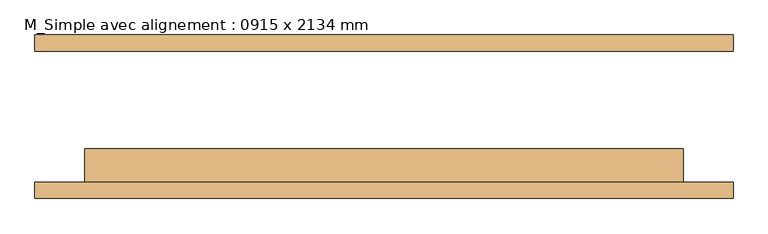
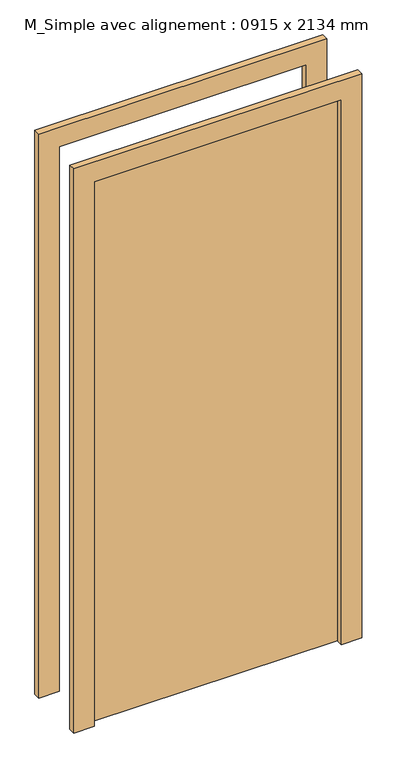
"""IFC4 building model written with IfcOpenShell, lengths in millimetres: door geometry, M_Simple avec alignement : 0915 x 2134 mm."""

import ifcopenshell
import ifcopenshell.guid

model = None  # the IFC model being written
_history = None  # IfcOwnerHistory: only IFC2X3 demands one
_inside = {}  # id of a spatial element -> (the spatial element, [elements in it])
_under = {}  # id of a project, library or spatial element -> (it, [spatial elements below it])
_declared = {}  # id of a project -> (the project, [libraries it declares])
_typed = {}  # id of a type object -> (the type object, [elements of that type])
_made_of = {}  # id of a material, layer set ... -> (it, [elements and type objects made of it])


def new_model(schema):
    """Start an empty IFC model of exactly this schema.

    Asked for "IFC4X3", IfcOpenShell would pick the latest addendum, in which some entities
    have other attributes; the version numbers below select the first issue.
    IFC2X3 requires an IfcOwnerHistory on every rooted entity: one is made here for all.
    """
    global model, _history
    if schema == "IFC4X3":
        model = ifcopenshell.file(schema_version=(4, 3, 0, 0))
    else:
        model = ifcopenshell.file(schema=schema)
    _inside.clear()
    _under.clear()
    _declared.clear()
    _typed.clear()
    _made_of.clear()
    _history = None
    if model.schema == "IFC2X3":
        org = make("IfcOrganization", Name="unknown")
        user = make(
            "IfcPersonAndOrganization",
            ThePerson=make("IfcPerson", FamilyName="unknown"),
            TheOrganization=org,
        )
        app = make(
            "IfcApplication",
            ApplicationDeveloper=org,
            Version="unknown",
            ApplicationFullName="unknown",
            ApplicationIdentifier="unknown",
        )
        _history = make(
            "IfcOwnerHistory",
            OwningUser=user,
            OwningApplication=app,
            ChangeAction="ADDED",
            CreationDate=0,
        )
    return model


def make(cls, **values):
    """One entity of the class cls with the attributes given. An attribute that is None is left unset."""
    return model.create_entity(
        cls, **{name: value for name, value in values.items() if value is not None}
    )


def rooted(cls, **values):
    """An entity with a GlobalId (a new one), such as an element, a storey or a relation."""
    return make(cls, GlobalId=ifcopenshell.guid.new(), OwnerHistory=_history, **values)


def si_unit(unit_type, name, prefix=None):
    """IfcSIUnit, for example si_unit("LENGTHUNIT", "METRE", prefix="MILLI")."""
    return make("IfcSIUnit", UnitType=unit_type, Prefix=prefix, Name=name)


def assignment(units):
    """IfcUnitAssignment: the units of a project."""
    return None if units is None else make("IfcUnitAssignment", Units=units)


def point(xyz):
    """IfcCartesianPoint."""
    return None if xyz is None else make("IfcCartesianPoint", Coordinates=xyz)


def direction(xyz):
    """IfcDirection."""
    return None if xyz is None else make("IfcDirection", DirectionRatios=xyz)


def frame(location, z_axis=None, x_axis=None):
    """IfcAxis2Placement3D, a coordinate frame: its origin and axes. An axis left out is left unset."""
    return make(
        "IfcAxis2Placement3D",
        Location=point(location),
        Axis=direction(z_axis),
        RefDirection=direction(x_axis),
    )


def origin():
    """The frame at (0, 0, 0) with its axes left unset."""
    return frame((0.0, 0.0, 0.0))


def origin_with_axes():
    """The frame at (0, 0, 0) with the z axis (0, 0, 1) and the x axis (1, 0, 0) written out."""
    return frame((0.0, 0.0, 0.0), z_axis=(0.0, 0.0, 1.0), x_axis=(1.0, 0.0, 0.0))


def place(relative_to, where):
    """IfcLocalPlacement: puts the frame where relative to a parent placement (None: the world)."""
    return make(
        "IfcLocalPlacement", PlacementRelTo=relative_to, RelativePlacement=where
    )


def context(
    kind, dimensions, precision=None, world=None, true_north=None, identifier=None
):
    """IfcGeometricRepresentationContext, for example the 3D "Model" context."""
    return make(
        "IfcGeometricRepresentationContext",
        ContextIdentifier=identifier,
        ContextType=kind,
        CoordinateSpaceDimension=dimensions,
        Precision=precision,
        WorldCoordinateSystem=world,
        TrueNorth=true_north,
    )


def project(units=None, contexts=None):
    """IfcProject with its units and contexts."""
    return rooted(
        "IfcProject",
        Name="project",
        RepresentationContexts=contexts,
        UnitsInContext=assignment(units),
    )


def spatial(cls, under=None, at=None, **own):
    """A site, building, storey or space (cls), placed at a placement, below another one or the project."""
    s = rooted(cls, ObjectPlacement=at, **own)
    if under is not None:
        _under.setdefault(under.id(), (under, []))[1].append(s)
    return s


def polyline(points):
    """IfcPolyline through the points."""
    return make("IfcPolyline", Points=[point(p) for p in points])


def outline(outer, holes=None, kind="AREA"):
    """IfcArbitraryClosedProfileDef: a profile drawn as a closed curve; with holes, ...WithVoids."""
    if holes is None:
        return make("IfcArbitraryClosedProfileDef", ProfileType=kind, OuterCurve=outer)
    return make(
        "IfcArbitraryProfileDefWithVoids",
        ProfileType=kind,
        OuterCurve=outer,
        InnerCurves=holes,
    )


def extrude(swept, where, along, depth):
    """IfcExtrudedAreaSolid: the profile swept, set in the frame where, extruded along a direction by depth."""
    return make(
        "IfcExtrudedAreaSolid",
        SweptArea=swept,
        Position=where,
        ExtrudedDirection=direction(along),
        Depth=depth,
    )


def shape(context_of_items, identifier, shape_type, items):
    """IfcShapeRepresentation: the items that make up one representation, for example the "Body"."""
    return make(
        "IfcShapeRepresentation",
        ContextOfItems=context_of_items,
        RepresentationIdentifier=identifier,
        RepresentationType=shape_type,
        Items=items,
    )


def source(mapping_origin, context_of_items, identifier, shape_type, items):
    """IfcRepresentationMap: a shape defined once, which mapped items show again and again."""
    return make(
        "IfcRepresentationMap",
        MappingOrigin=mapping_origin,
        MappedRepresentation=shape(context_of_items, identifier, shape_type, items),
    )


def transform(
    local_origin,
    x_axis=None,
    y_axis=None,
    z_axis=None,
    scale=None,
    scale2=None,
    scale3=None,
    uniform=True,
):
    """IfcCartesianTransformationOperator3D, or its non-uniform kind. x_axis, y_axis, z_axis: its Axis1, 2, 3."""
    if uniform:
        return make(
            "IfcCartesianTransformationOperator3D",
            Axis1=direction(x_axis),
            Axis2=direction(y_axis),
            LocalOrigin=point(local_origin),
            Scale=scale,
            Axis3=direction(z_axis),
        )
    return make(
        "IfcCartesianTransformationOperator3DnonUniform",
        Axis1=direction(x_axis),
        Axis2=direction(y_axis),
        LocalOrigin=point(local_origin),
        Scale=scale,
        Axis3=direction(z_axis),
        Scale2=scale2,
        Scale3=scale3,
    )


def mapped(mapping_source, mapping_target):
    """IfcMappedItem: shows the shape of a source again, moved by a transform."""
    return make(
        "IfcMappedItem", MappingSource=mapping_source, MappingTarget=mapping_target
    )


def made_of(thing, what):
    """Note that an element or type object is made of a material, layer set ...; save() writes the relation."""
    if what is not None:
        _made_of.setdefault(what.id(), (what, []))[1].append(thing)
    return thing


def element(
    cls,
    number,
    at=None,
    inside=None,
    cuts=None,
    type_object=None,
    material=None,
    context=None,
    identifier="Body",
    shape_type=None,
    held_by="IfcProductDefinitionShape",
    body=None,
    shapes=None,
    **own,
):
    """One element of the class cls, such as IfcWall. Its Tag is "e" and its number.

    at: its placement. inside: the storey or other place that contains it. cuts: it is an
    opening in that element (IfcRelVoidsElement). A single representation is given by context,
    identifier, shape_type and body (its items); several are given by shapes. held_by: the class
    of the entity that holds the representations. save() writes the other relations.
    """
    e = rooted(cls, Tag="e%d" % number, ObjectPlacement=at, **own)
    if body is not None:
        shapes = [shape(context, identifier, shape_type, body)]
    if shapes is not None:
        e.Representation = make(held_by, Representations=shapes)
    if inside is not None:
        _inside.setdefault(inside.id(), (inside, []))[1].append(e)
    if cuts is not None:
        rooted(
            "IfcRelVoidsElement", RelatingBuildingElement=cuts, RelatedOpeningElement=e
        )
    if type_object is not None:
        _typed.setdefault(type_object.id(), (type_object, []))[1].append(e)
    return made_of(e, material)


def aggregate(whole, parts):
    """IfcRelAggregates: a whole, such as a stair, and the parts it consists of."""
    return rooted("IfcRelAggregates", RelatingObject=whole, RelatedObjects=parts)


def save(model, path):
    """Write the relations noted so far, then the file.

    IfcRelAggregates (storeys below a building ...), IfcRelContainedInSpatialStructure (elements
    in a storey), IfcRelDefinesByType, IfcRelAssociatesMaterial and IfcRelDeclares: one each for
    every whole, place, type object, material and project.
    """
    for whole, parts in _under.values():
        aggregate(whole, parts)
    for where, things in _inside.values():
        rooted(
            "IfcRelContainedInSpatialStructure",
            RelatedElements=things,
            RelatingStructure=where,
        )
    for kind, things in _typed.values():
        rooted("IfcRelDefinesByType", RelatedObjects=things, RelatingType=kind)
    for what, things in _made_of.values():
        rooted("IfcRelAssociatesMaterial", RelatedObjects=things, RelatingMaterial=what)
    for by, libraries in _declared.values():
        rooted("IfcRelDeclares", RelatingContext=by, RelatedDefinitions=libraries)
    model.write(path)


def m_simple_avec_alignement_0915_x_2134_mm_727434cd(model_context):
    return source(origin(), model_context, "Body", "SweptSolid", [
        extrude(outline(polyline([(2210.0, -533.5), (0.0, -533.5), (0.0, -457.5), (2134.0, -457.5), (2134.0, 457.5), (0.0, 457.5), (0.0, 533.5), (2210.0, 533.5), (2210.0, -533.5)])), frame((0.0, -125.0, 0.0), z_axis=(0.0, 1.0, 0.0), x_axis=(0.0, 0.0, 1.0)), (0.0, 0.0, 1.0), 25.0),
        extrude(outline(polyline([(2210.0, 533.5), (2210.0, -533.5), (0.0, -533.5), (0.0, -457.5), (2134.0, -457.5), (2134.0, 457.5), (0.0, 457.5), (0.0, 533.5), (2210.0, 533.5)])), frame((0.0, 100.0, 0.0), z_axis=(0.0, 1.0, 0.0), x_axis=(0.0, 0.0, 1.0)), (0.0, 0.0, 1.0), 25.0),
        extrude(outline(polyline([(457.5, -49.0), (457.5, -100.0), (-457.5, -100.0), (-457.5, -49.0), (457.5, -49.0)])), origin_with_axes(), (0.0, 0.0, 1.0), 2134.0),
    ])


if __name__ == "__main__":
    model = new_model("IFC4")
    model_context = context("Model", 3, world=origin())
    ifc_project = project(units=[si_unit("LENGTHUNIT", "METRE", prefix="MILLI")], contexts=[model_context])
    site = spatial("IfcSite", under=ifc_project)
    building = spatial("IfcBuilding", under=site)
    placement = place(None, origin())
    m_simple_avec_alignement_0915_x_2134_mm_shape = m_simple_avec_alignement_0915_x_2134_mm_727434cd(model_context)
    element("IfcDoor", 1, ObjectType="M_Simple avec alignement : 0915 x 2134 mm", at=placement, inside=building, context=model_context, shape_type="MappedRepresentation", body=[
        mapped(m_simple_avec_alignement_0915_x_2134_mm_shape, transform((0.0, 0.0, 0.0), x_axis=(1.0, 0.0, 0.0), y_axis=(0.0, 1.0, 0.0), z_axis=(0.0, 0.0, 1.0))),
    ])
    save(model, "model.ifc")
